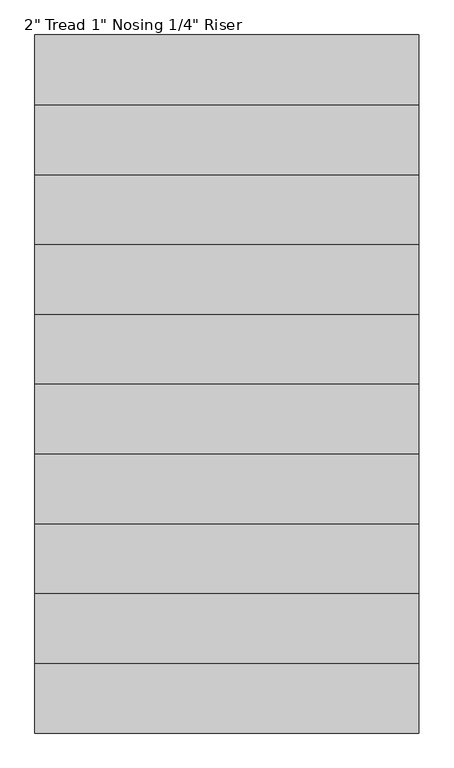
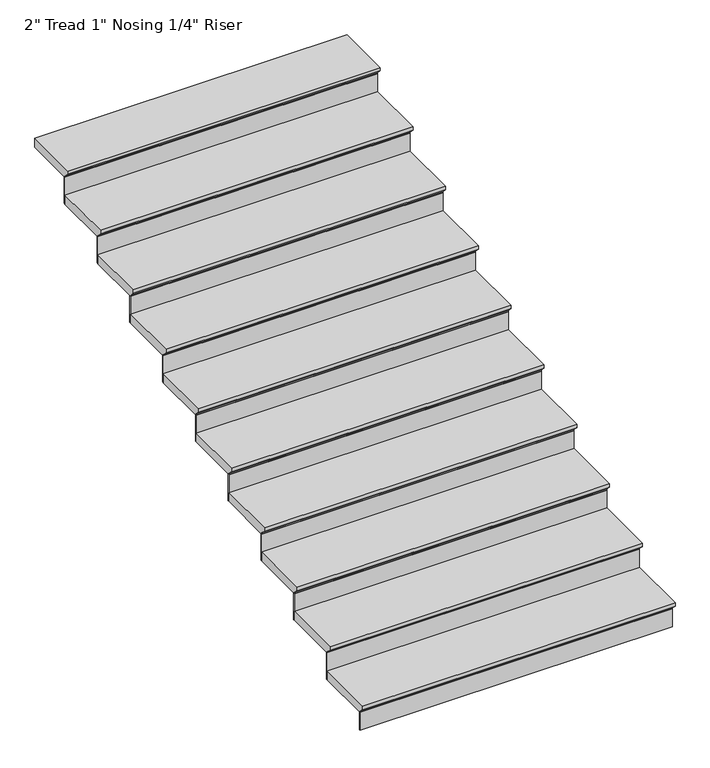
"""IFC4 building model written with IfcOpenShell, lengths in millimetres: stair flight geometry."""

from ifc_helpers import new_model, si_unit, frame, origin, place, context, project, spatial, polyline, outline, extrude, source, transform, mapped, element, save


def stair_flight_4e8bca8a(model_context):
    return source(origin(), model_context, "Body", "SweptSolid", [
        extrude(outline(polyline([(221688.3956745, -3911.6), (222018.5956745, -3911.6), (222018.5956745, -3962.4), (221713.7956745, -3962.4), (221713.7956745, -3956.05), (221688.3956745, -3930.65), (221688.3956745, -3911.6)])), frame((-156496.1011888, 0.0, 0.0), z_axis=(1.0, 0.0, 0.0), x_axis=(0.0, 1.0, 0.0)), (0.0, 0.0, 1.0), 1676.4),
        extrude(outline(polyline([(-154819.7011888, 221720.1456745), (-154819.7011888, 221713.7956745), (-156496.1011888, 221713.7956745), (-156496.1011888, 221720.1456745), (-154819.7011888, 221720.1456745)])), frame((0.0, 0.0, -4064.0), z_axis=(0.0, 0.0, 1.0), x_axis=(1.0, 0.0, 0.0)), (0.0, 0.0, 1.0), 101.6),
        extrude(outline(polyline([(-154819.7011888, 222024.9456745), (-154819.7011888, 222018.5956745), (-156496.1011888, 222018.5956745), (-156496.1011888, 222024.9456745), (-154819.7011888, 222024.9456745)])), frame((0.0, 0.0, -3962.4), z_axis=(0.0, 0.0, 1.0), x_axis=(1.0, 0.0, 0.0)), (0.0, 0.0, 1.0), 152.4),
        extrude(outline(polyline([(221993.1956745, -3759.2), (222323.3956745, -3759.2), (222323.3956745, -3810.0), (222018.5956745, -3810.0), (222018.5956745, -3803.65), (221993.1956745, -3778.25), (221993.1956745, -3759.2)])), frame((-156496.1011888, 0.0, 0.0), z_axis=(1.0, 0.0, 0.0), x_axis=(0.0, 1.0, 0.0)), (0.0, 0.0, 1.0), 1676.4),
        extrude(outline(polyline([(-154819.7011888, 222329.7456745), (-154819.7011888, 222323.3956745), (-156496.1011888, 222323.3956745), (-156496.1011888, 222329.7456745), (-154819.7011888, 222329.7456745)])), frame((0.0, 0.0, -3810.0), z_axis=(0.0, 0.0, 1.0), x_axis=(1.0, 0.0, 0.0)), (0.0, 0.0, 1.0), 152.4),
        extrude(outline(polyline([(222297.9956745, -3606.8), (222628.1956745, -3606.8), (222628.1956745, -3657.6), (222323.3956745, -3657.6), (222323.3956745, -3651.25), (222297.9956745, -3625.85), (222297.9956745, -3606.8)])), frame((-156496.1011888, 0.0, 0.0), z_axis=(1.0, 0.0, 0.0), x_axis=(0.0, 1.0, 0.0)), (0.0, 0.0, 1.0), 1676.4),
        extrude(outline(polyline([(-154819.7011888, 222634.5456745), (-154819.7011888, 222628.1956745), (-156496.1011888, 222628.1956745), (-156496.1011888, 222634.5456745), (-154819.7011888, 222634.5456745)])), frame((0.0, 0.0, -3657.6), z_axis=(0.0, 0.0, 1.0), x_axis=(1.0, 0.0, 0.0)), (0.0, 0.0, 1.0), 152.4),
        extrude(outline(polyline([(222602.7956745, -3454.4), (222932.9956745, -3454.4), (222932.9956745, -3505.2), (222628.1956745, -3505.2), (222628.1956745, -3498.85), (222602.7956745, -3473.45), (222602.7956745, -3454.4)])), frame((-156496.1011888, 0.0, 0.0), z_axis=(1.0, 0.0, 0.0), x_axis=(0.0, 1.0, 0.0)), (0.0, 0.0, 1.0), 1676.4),
        extrude(outline(polyline([(-154819.7011888, 222939.3456745), (-154819.7011888, 222932.9956745), (-156496.1011888, 222932.9956745), (-156496.1011888, 222939.3456745), (-154819.7011888, 222939.3456745)])), frame((0.0, 0.0, -3505.2), z_axis=(0.0, 0.0, 1.0), x_axis=(1.0, 0.0, 0.0)), (0.0, 0.0, 1.0), 152.4),
        extrude(outline(polyline([(222907.5956745, -3302.0), (223237.7956745, -3302.0), (223237.7956745, -3352.8), (222932.9956745, -3352.8), (222932.9956745, -3346.45), (222907.5956745, -3321.05), (222907.5956745, -3302.0)])), frame((-156496.1011888, 0.0, 0.0), z_axis=(1.0, 0.0, 0.0), x_axis=(0.0, 1.0, 0.0)), (0.0, 0.0, 1.0), 1676.4),
        extrude(outline(polyline([(-154819.7011888, 223244.1456745), (-154819.7011888, 223237.7956745), (-156496.1011888, 223237.7956745), (-156496.1011888, 223244.1456745), (-154819.7011888, 223244.1456745)])), frame((0.0, 0.0, -3352.8), z_axis=(0.0, 0.0, 1.0), x_axis=(1.0, 0.0, 0.0)), (0.0, 0.0, 1.0), 152.4),
        extrude(outline(polyline([(223212.3956745, -3149.6), (223542.5956745, -3149.6), (223542.5956745, -3200.4), (223237.7956745, -3200.4), (223237.7956745, -3194.05), (223212.3956745, -3168.65), (223212.3956745, -3149.6)])), frame((-156496.1011888, 0.0, 0.0), z_axis=(1.0, 0.0, 0.0), x_axis=(0.0, 1.0, 0.0)), (0.0, 0.0, 1.0), 1676.4),
        extrude(outline(polyline([(-154819.7011888, 223548.9456745), (-154819.7011888, 223542.5956745), (-156496.1011888, 223542.5956745), (-156496.1011888, 223548.9456745), (-154819.7011888, 223548.9456745)])), frame((0.0, 0.0, -3200.4), z_axis=(0.0, 0.0, 1.0), x_axis=(1.0, 0.0, 0.0)), (0.0, 0.0, 1.0), 152.4),
        extrude(outline(polyline([(223517.1956745, -2997.2), (223847.3956745, -2997.2), (223847.3956745, -3048.0), (223542.5956745, -3048.0), (223542.5956745, -3041.65), (223517.1956745, -3016.25), (223517.1956745, -2997.2)])), frame((-156496.1011888, 0.0, 0.0), z_axis=(1.0, 0.0, 0.0), x_axis=(0.0, 1.0, 0.0)), (0.0, 0.0, 1.0), 1676.4),
        extrude(outline(polyline([(-154819.7011888, 223853.7456745), (-154819.7011888, 223847.3956745), (-156496.1011888, 223847.3956745), (-156496.1011888, 223853.7456745), (-154819.7011888, 223853.7456745)])), frame((0.0, 0.0, -3048.0), z_axis=(0.0, 0.0, 1.0), x_axis=(1.0, 0.0, 0.0)), (0.0, 0.0, 1.0), 152.4),
        extrude(outline(polyline([(223821.9956745, -2844.8), (224152.1956745, -2844.8), (224152.1956745, -2895.6), (223847.3956745, -2895.6), (223847.3956745, -2889.25), (223821.9956745, -2863.85), (223821.9956745, -2844.8)])), frame((-156496.1011888, 0.0, 0.0), z_axis=(1.0, 0.0, 0.0), x_axis=(0.0, 1.0, 0.0)), (0.0, 0.0, 1.0), 1676.4),
        extrude(outline(polyline([(-154819.7011888, 224158.5456745), (-154819.7011888, 224152.1956745), (-156496.1011888, 224152.1956745), (-156496.1011888, 224158.5456745), (-154819.7011888, 224158.5456745)])), frame((0.0, 0.0, -2895.6), z_axis=(0.0, 0.0, 1.0), x_axis=(1.0, 0.0, 0.0)), (0.0, 0.0, 1.0), 152.4),
        extrude(outline(polyline([(224126.7956745, -2692.4), (224456.9956745, -2692.4), (224456.9956745, -2743.2), (224152.1956745, -2743.2), (224152.1956745, -2736.85), (224126.7956745, -2711.45), (224126.7956745, -2692.4)])), frame((-156496.1011888, 0.0, 0.0), z_axis=(1.0, 0.0, 0.0), x_axis=(0.0, 1.0, 0.0)), (0.0, 0.0, 1.0), 1676.4),
        extrude(outline(polyline([(-154819.7011888, 224463.3456745), (-154819.7011888, 224456.9956745), (-156496.1011888, 224456.9956745), (-156496.1011888, 224463.3456745), (-154819.7011888, 224463.3456745)])), frame((0.0, 0.0, -2743.2), z_axis=(0.0, 0.0, 1.0), x_axis=(1.0, 0.0, 0.0)), (0.0, 0.0, 1.0), 152.4),
        extrude(outline(polyline([(224431.5956745, -2540.0), (224736.3956745, -2540.0), (224736.3956745, -2590.8), (224456.9956745, -2590.8), (224456.9956745, -2584.45), (224431.5956745, -2559.05), (224431.5956745, -2540.0)])), frame((-156496.1011888, 0.0, 0.0), z_axis=(1.0, 0.0, 0.0), x_axis=(0.0, 1.0, 0.0)), (0.0, 0.0, 1.0), 1676.4),
    ])


if __name__ == "__main__":
    model = new_model("IFC4")
    model_context = context("Model", 3, world=origin())
    ifc_project = project(units=[si_unit("LENGTHUNIT", "METRE", prefix="MILLI")], contexts=[model_context])
    site = spatial("IfcSite", under=ifc_project)
    building = spatial("IfcBuilding", under=site)
    placement = place(None, origin())
    stair_flight_shape = stair_flight_4e8bca8a(model_context)
    element("IfcStairFlight", 1, ObjectType="2\" Tread 1\" Nosing 1/4\" Riser", at=placement, inside=building, context=model_context, shape_type="MappedRepresentation", body=[
        mapped(stair_flight_shape, transform((0.0, 0.0, 0.0), x_axis=(1.0, 0.0, 0.0), y_axis=(0.0, 1.0, 0.0), z_axis=(0.0, 0.0, 1.0))),
    ])
    save(model, "model.ifc")
